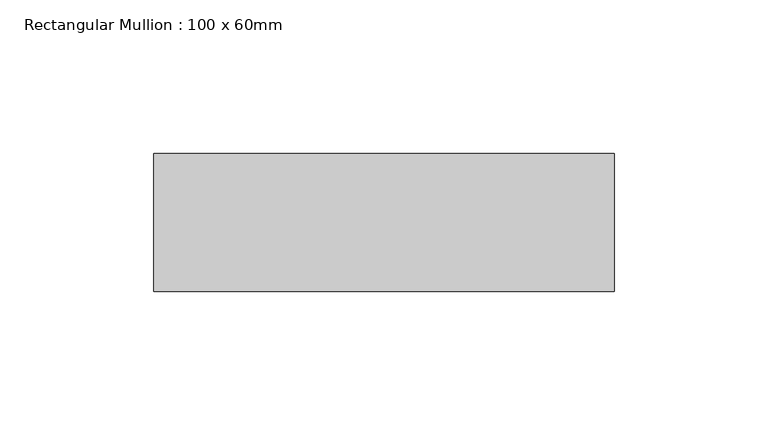
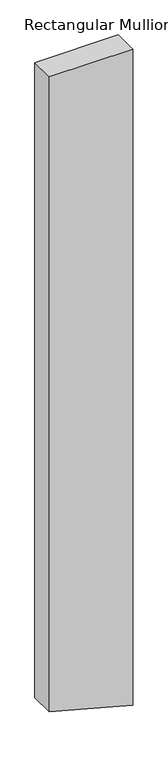
"""IFC4 building model written with IfcOpenShell, lengths in millimetres: member geometry, Rectangular Mullion : 100 x 60mm."""

from ifc_helpers import new_model, si_unit, frame, origin, place, context, project, spatial, polyline, outline, extrude, source, transform, mapped, element, save


def rectangular_mullion_100_x_60mm_f4d1b7d7(model_context):
    return source(origin(), model_context, "Body", "SweptSolid", [
        extrude(outline(polyline([(0.0, 75.0), (0.0, -75.0), (-1204.9806241, -75.0), (-1235.4793666, 38.8228568), (-1245.1730029, 75.0), (0.0, 75.0)])), frame((0.0, -30.0, 0.0), z_axis=(0.0, 1.0, 0.0), x_axis=(0.0, 0.0, 1.0)), (0.0, 0.0, 1.0), 45.0),
    ])


if __name__ == "__main__":
    model = new_model("IFC4")
    model_context = context("Model", 3, world=origin())
    ifc_project = project(units=[si_unit("LENGTHUNIT", "METRE", prefix="MILLI")], contexts=[model_context])
    site = spatial("IfcSite", under=ifc_project)
    building = spatial("IfcBuilding", under=site)
    placement = place(None, origin())
    rectangular_mullion_100_x_60mm_shape = rectangular_mullion_100_x_60mm_f4d1b7d7(model_context)
    element("IfcMember", 1, ObjectType="Rectangular Mullion : 100 x 60mm", at=placement, inside=building, context=model_context, shape_type="MappedRepresentation", body=[
        mapped(rectangular_mullion_100_x_60mm_shape, transform((0.0, 0.0, 0.0), x_axis=(1.0, 0.0, 0.0), y_axis=(0.0, 1.0, 0.0), z_axis=(0.0, 0.0, 1.0))),
    ])
    save(model, "model.ifc")
